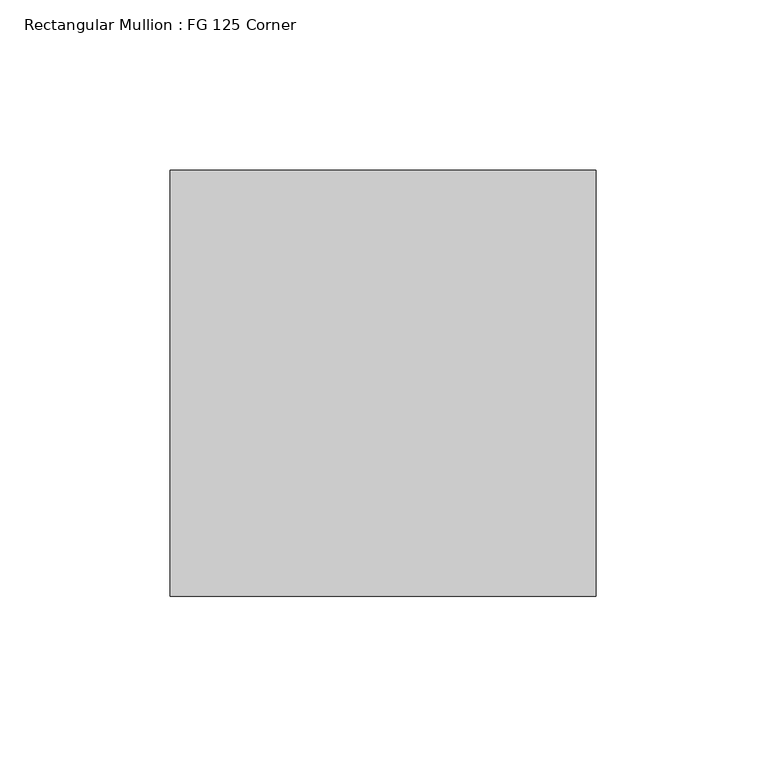
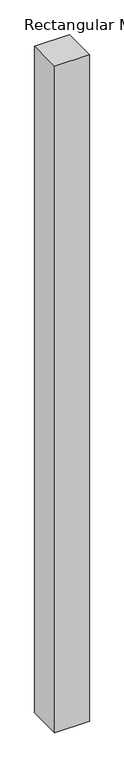
"""IFC4 building model written with IfcOpenShell, lengths in millimetres: member geometry, Rectangular Mullion : FG 125 Corner."""

from ifc_helpers import new_model, si_unit, frame, origin, place, context, project, spatial, polyline, outline, extrude, source, transform, mapped, element, save


def rectangular_mullion_fg_125_corner_b7e28fe4(model_context):
    return source(origin(), model_context, "Body", "SweptSolid", [
        extrude(outline(polyline([(0.0, 62.5), (0.0, -62.5), (-125.0, -62.5), (-125.0, 62.5), (0.0, 62.5)])), frame((0.0, 0.0, -2545.0), z_axis=(0.0, 0.0, 1.0), x_axis=(1.0, 0.0, 0.0)), (0.0, 0.0, 1.0), 2545.0),
    ])


if __name__ == "__main__":
    model = new_model("IFC4")
    model_context = context("Model", 3, world=origin())
    ifc_project = project(units=[si_unit("LENGTHUNIT", "METRE", prefix="MILLI")], contexts=[model_context])
    site = spatial("IfcSite", under=ifc_project)
    building = spatial("IfcBuilding", under=site)
    placement = place(None, origin())
    rectangular_mullion_fg_125_corner_shape = rectangular_mullion_fg_125_corner_b7e28fe4(model_context)
    element("IfcMember", 1, ObjectType="Rectangular Mullion : FG 125 Corner", at=placement, inside=building, context=model_context, shape_type="MappedRepresentation", body=[
        mapped(rectangular_mullion_fg_125_corner_shape, transform((0.0, 0.0, 0.0), x_axis=(1.0, 0.0, 0.0), y_axis=(0.0, 1.0, 0.0), z_axis=(0.0, 0.0, 1.0))),
    ])
    save(model, "model.ifc")
